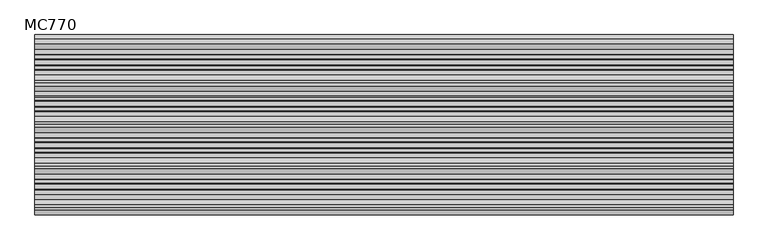
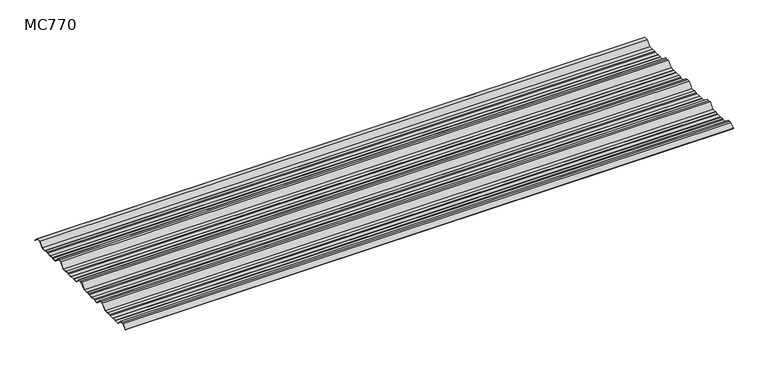
"""IFC4 building model written with IfcOpenShell, lengths in millimetres: beam geometry, MC770."""

from ifc_helpers import new_model, si_unit, point, frame, frame_2d, origin, place, context, project, spatial, polyline, circle_curve, trimmed, segment, composite_curve, outline, extrude, source, transform, mapped, element, save


def mc770_df361c31(model_context):
    return source(origin(), model_context, "Body", "SweptSolid", [
        extrude(outline(composite_curve([segment(polyline([(-155.0000967, -25.7896475), (-180.574511, 0.2103525), (-192.5, 0.2103525), (-204.425489, 0.2103525), (-229.9999033, -25.7896475), (-252.6975582, -25.7896475), (-255.9126024, -23.7494212), (-272.3405937, -23.7494212), (-276.7209114, -25.7896475), (-300.7790886, -25.7896475), (-305.1594063, -23.7494212), (-321.5873976, -23.7494212), (-324.8024418, -25.7896475), (-347.5000967, -25.7896475), (-373.074511, 0.2103525), (-385.0, 0.2103525), (-396.925489, 0.2103525), (-422.4999033, -25.7896475), (-445.1975582, -25.7896475), (-448.4126024, -23.7494212), (-464.8405937, -23.7494212), (-469.2209114, -25.7896475), (-493.2790886, -25.7896475), (-497.6594063, -23.7494212), (-514.0873976, -23.7494212), (-517.3024418, -25.7896475), (-540.0000967, -25.7896475), (-565.574511, 0.2103525), (-577.5, 0.2103525), (-589.425489, 0.2103525), (-614.9999033, -25.7896475), (-637.6975582, -25.7896475), (-640.9126024, -23.7494212), (-657.3405937, -23.7494212), (-661.7209114, -25.7896475), (-685.7790886, -25.7896475), (-690.1594063, -23.7494212), (-706.5873976, -23.7494212), (-709.8024418, -25.7896475), (-732.5000967, -25.7896475), (-758.074511, 0.2103525), (-770.0, 0.2103525), (-781.925489, 0.2103525), (-801.261749, -19.4476836)]), True, "CONTINUOUS"), segment(trimmed(circle_curve(frame_2d((-801.651258, -19.0516927)), 0.5554513), [point((-801.261749, -19.4476836))], [point((-802.0472489, -18.6621836))], False, "CARTESIAN"), True, "CONTINUOUS"), segment(polyline([(-802.0472489, -18.6621836), (-782.5, 1.2103525), (-770.0, 1.2103525), (-757.5, 1.2103525), (-731.9255858, -24.7896475), (-710.0929563, -24.7896475), (-706.8779121, -22.7494212), (-689.9379428, -22.7494212), (-685.5576251, -24.7896475), (-661.9423749, -24.7896475), (-657.5620572, -22.7494212), (-640.6220879, -22.7494212), (-637.4070437, -24.7896475), (-615.5744142, -24.7896475), (-590.0, 1.2103525), (-577.5, 1.2103525), (-565.0, 1.2103525), (-539.4255858, -24.7896475), (-517.5929563, -24.7896475), (-514.3779121, -22.7494212), (-497.4379428, -22.7494212), (-493.0576251, -24.7896475), (-469.4423749, -24.7896475), (-465.0620572, -22.7494212), (-448.1220879, -22.7494212), (-444.9070437, -24.7896475), (-423.0744142, -24.7896475), (-397.5, 1.2103525), (-385.0, 1.2103525), (-372.5, 1.2103525), (-346.9255858, -24.7896475), (-325.0929563, -24.7896475), (-321.8779121, -22.7494212), (-304.9379428, -22.7494212), (-300.5576251, -24.7896475), (-276.9423749, -24.7896475), (-272.5620572, -22.7494212), (-255.6220879, -22.7494212), (-252.4070437, -24.7896475), (-230.5744142, -24.7896475), (-205.0, 1.2103525), (-192.5, 1.2103525), (-180.0, 1.2103525), (-154.4255858, -24.7896475), (-132.5929563, -24.7896475), (-129.3779121, -22.7494212), (-112.4379428, -22.7494212), (-108.0576251, -24.7896475), (-84.4423749, -24.7896475), (-80.0620572, -22.7494212), (-63.1220879, -22.7494212), (-59.9070437, -24.7896475), (-35.113585, -24.7896475), (-11.5064334, -0.7896475), (11.5064334, -0.7896475), (31.651812, -21.2702668)]), True, "CONTINUOUS"), segment(trimmed(circle_curve(frame_2d((31.295329, -21.6209146)), 0.500034), [point((31.651812, -21.2702668))], [point((30.9446811, -21.9773977))], False, "CARTESIAN"), True, "CONTINUOUS"), segment(polyline([(30.9446811, -21.9773977), (11.0873778, -1.7896475), (-11.0873778, -1.7896475), (-34.6945294, -25.7896475), (-60.1975582, -25.7896475), (-63.4126024, -23.7494212), (-79.8405937, -23.7494212), (-84.2209114, -25.7896475), (-108.2790886, -25.7896475), (-112.6594063, -23.7494212), (-129.0873976, -23.7494212), (-132.3024418, -25.7896475), (-155.0000967, -25.7896475)]), True, "CONTINUOUS")], self_intersect=False)), frame((-1615.4201823, 0.0, 0.0), z_axis=(1.0, 0.0, 0.0), x_axis=(0.0, 1.0, 0.0)), (0.0, 0.0, 1.0), 3230.8403647),
    ])


if __name__ == "__main__":
    model = new_model("IFC4")
    model_context = context("Model", 3, world=origin())
    ifc_project = project(units=[si_unit("LENGTHUNIT", "METRE", prefix="MILLI")], contexts=[model_context])
    site = spatial("IfcSite", under=ifc_project)
    building = spatial("IfcBuilding", under=site)
    placement = place(None, origin())
    mc770_shape = mc770_df361c31(model_context)
    element("IfcBeam", 1, ObjectType="MC770", at=placement, inside=building, context=model_context, shape_type="MappedRepresentation", body=[
        mapped(mc770_shape, transform((0.0, 0.0, 0.0), x_axis=(1.0, 0.0, 0.0), y_axis=(0.0, 1.0, 0.0), z_axis=(0.0, 0.0, 1.0))),
    ])
    save(model, "model.ifc")
